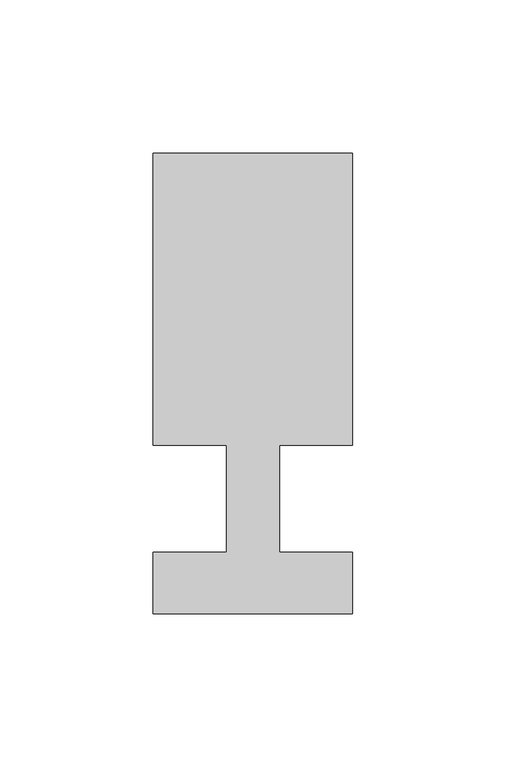
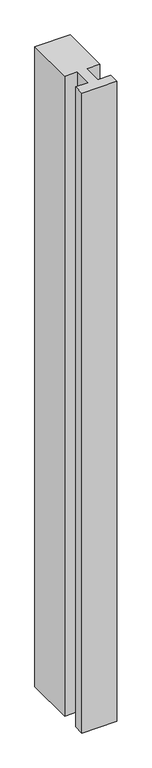
"""IFC4 building model written with IfcOpenShell, lengths in millimetres: member geometry."""

from ifc_helpers import new_model, si_unit, frame, origin, place, context, project, spatial, polyline, outline, extrude, source, transform, mapped, element, save


def member_55862db8(model_context):
    return source(origin(), model_context, "Body", "SweptSolid", [
        extrude(outline(polyline([(-65.0, -37.0), (-65.0, -17.0), (-41.1875, -17.0), (-41.1875, 18.0), (-65.0, 18.0), (-65.0, 113.0), (0.0, 113.0), (0.0, 18.0), (-23.8125, 18.0), (-23.8125, -17.0), (0.0, -17.0), (0.0, -37.0), (-65.0, -37.0)])), frame((0.0, 0.0, -1250.0), z_axis=(0.0, 0.0, 1.0), x_axis=(1.0, 0.0, 0.0)), (0.0, 0.0, 1.0), 1250.0),
    ])


if __name__ == "__main__":
    model = new_model("IFC4")
    model_context = context("Model", 3, world=origin())
    ifc_project = project(units=[si_unit("LENGTHUNIT", "METRE", prefix="MILLI")], contexts=[model_context])
    site = spatial("IfcSite", under=ifc_project)
    building = spatial("IfcBuilding", under=site)
    placement = place(None, origin())
    member_shape = member_55862db8(model_context)
    element("IfcMember", 1, at=placement, inside=building, context=model_context, shape_type="MappedRepresentation", body=[
        mapped(member_shape, transform((0.0, 0.0, 0.0), x_axis=(1.0, 0.0, 0.0), y_axis=(0.0, 1.0, 0.0), z_axis=(0.0, 0.0, 1.0))),
    ])
    save(model, "model.ifc")
